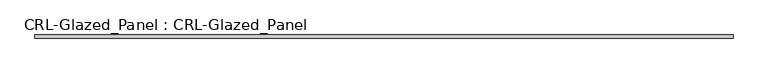
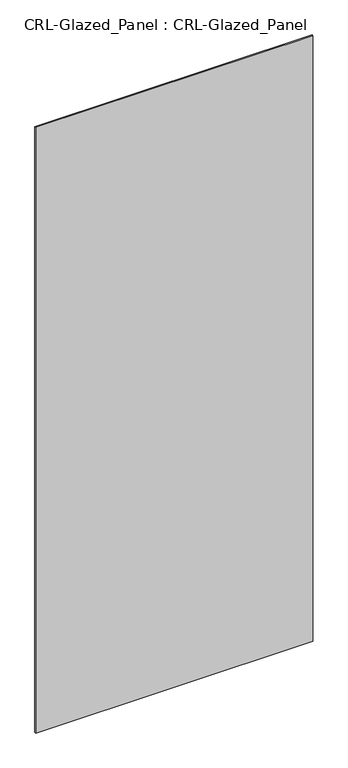
"""IFC4 building model written with IfcOpenShell, lengths in millimetres: plate geometry, CRL-Glazed_Panel : CRL-Glazed_Panel."""

from ifc_helpers import new_model, si_unit, origin, origin_with_axes, place, context, project, spatial, polyline, outline, extrude, source, transform, mapped, element, save


def crl_glazed_panel_crl_glazed_panel_63127902(model_context):
    return source(origin(), model_context, "Body", "SweptSolid", [
        extrude(outline(polyline([(641.8791667, -3.1749999), (-641.8791667, -3.1749999), (-641.8791667, 3.1749999), (641.8791667, 3.1749999), (641.8791667, -3.1749999)])), origin_with_axes(), (0.0, 0.0, 1.0), 2966.24375),
    ])


if __name__ == "__main__":
    model = new_model("IFC4")
    model_context = context("Model", 3, world=origin())
    ifc_project = project(units=[si_unit("LENGTHUNIT", "METRE", prefix="MILLI")], contexts=[model_context])
    site = spatial("IfcSite", under=ifc_project)
    building = spatial("IfcBuilding", under=site)
    placement = place(None, origin())
    crl_glazed_panel_crl_glazed_panel_shape = crl_glazed_panel_crl_glazed_panel_63127902(model_context)
    element("IfcPlate", 1, ObjectType="CRL-Glazed_Panel : CRL-Glazed_Panel", at=placement, inside=building, context=model_context, shape_type="MappedRepresentation", body=[
        mapped(crl_glazed_panel_crl_glazed_panel_shape, transform((0.0, 0.0, 0.0), x_axis=(1.0, 0.0, 0.0), y_axis=(0.0, 1.0, 0.0), z_axis=(0.0, 0.0, 1.0))),
    ])
    save(model, "model.ifc")
